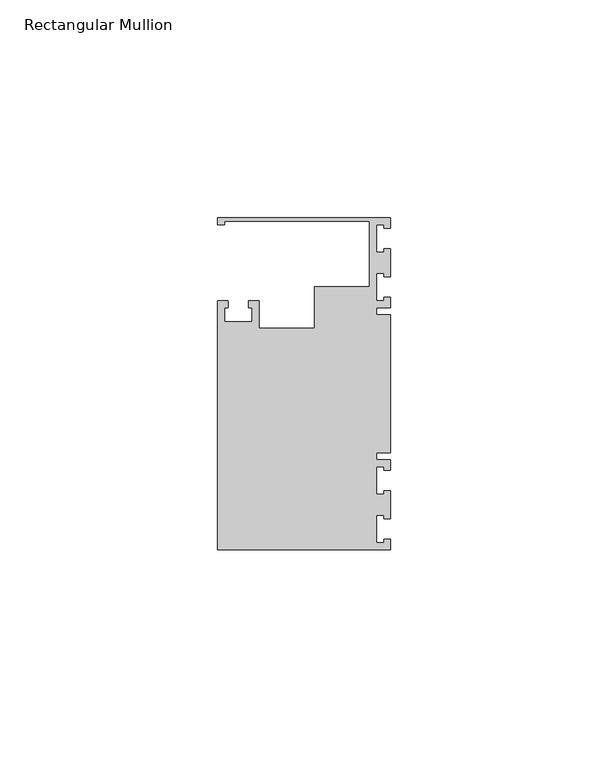
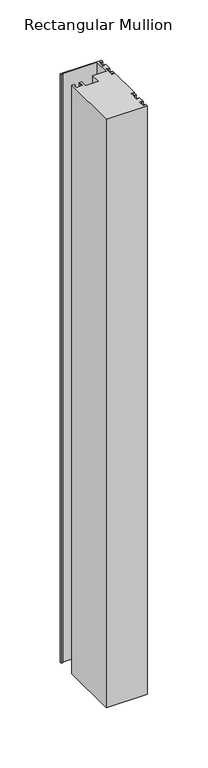
"""IFC4 building model written with IfcOpenShell, lengths in millimetres: member geometry, Rectangular Mullion."""

from ifc_helpers import new_model, si_unit, frame, origin, place, context, project, spatial, polyline, outline, extrude, source, transform, mapped, element, save


def rectangular_mullion_5a25b805(model_context):
    return source(origin(), model_context, "Body", "SweptSolid", [
        extrude(outline(polyline([(0.0, 38.1), (0.0, 35.71875), (-1.4999946, 35.71875), (-1.4999946, 36.5125), (-3.175, 36.5125), (-3.175, 30.1625), (-1.4999946, 30.1625), (-1.4999946, 30.95625), (0.0, 30.95625), (0.0, 24.60625), (-1.4999946, 24.60625), (-1.4999946, 25.4), (-3.175, 25.4), (-3.175, 19.05), (-1.4999946, 19.05), (-1.4999946, 19.84375), (0.0, 19.84375), (0.0, 17.4625), (-3.175, 17.4625), (-3.175, 15.875), (0.0, 15.875), (0.0, -15.875), (-3.175, -15.875), (-3.175, -17.4625), (0.0, -17.4625), (0.0, -19.84375), (-1.4999946, -19.84375), (-1.4999946, -19.05), (-3.175, -19.05), (-3.175, -25.4), (-1.4999946, -25.4), (-1.4999946, -24.60625), (0.0, -24.60625), (0.0, -30.95625), (-1.4999946, -30.95625), (-1.4999946, -30.1625), (-3.175, -30.1625), (-3.175, -36.5125), (-1.4999946, -36.5125), (-1.4999946, -35.71875), (0.0, -35.71875), (0.0, -38.1), (-39.6875, -38.1), (-39.6875, 19.05), (-37.30625, 19.05), (-37.30625, 17.4625), (-38.1, 17.4625), (-38.1, 14.2875), (-31.75, 14.2875), (-31.75, 17.4625), (-32.54375, 17.4625), (-32.54375, 19.05), (-30.1625, 19.05), (-30.1625, 12.6999969), (-17.4625, 12.6999969), (-17.4625, 22.225), (-4.8585733, 22.225), (-4.8585733, 37.30625), (-38.1, 37.30625), (-38.1, 36.5125), (-39.6875, 36.5125), (-39.6875, 38.1), (0.0, 38.1)])), frame((0.0, 0.0, -596.9), z_axis=(0.0, 0.0, 1.0), x_axis=(1.0, 0.0, 0.0)), (0.0, 0.0, 1.0), 596.9),
    ])


if __name__ == "__main__":
    model = new_model("IFC4")
    model_context = context("Model", 3, world=origin())
    ifc_project = project(units=[si_unit("LENGTHUNIT", "METRE", prefix="MILLI")], contexts=[model_context])
    site = spatial("IfcSite", under=ifc_project)
    building = spatial("IfcBuilding", under=site)
    placement = place(None, origin())
    rectangular_mullion_shape = rectangular_mullion_5a25b805(model_context)
    element("IfcMember", 1, ObjectType="Rectangular Mullion", at=placement, inside=building, context=model_context, shape_type="MappedRepresentation", body=[
        mapped(rectangular_mullion_shape, transform((0.0, 0.0, 0.0), x_axis=(1.0, 0.0, 0.0), y_axis=(0.0, 1.0, 0.0), z_axis=(0.0, 0.0, 1.0))),
    ])
    save(model, "model.ifc")
